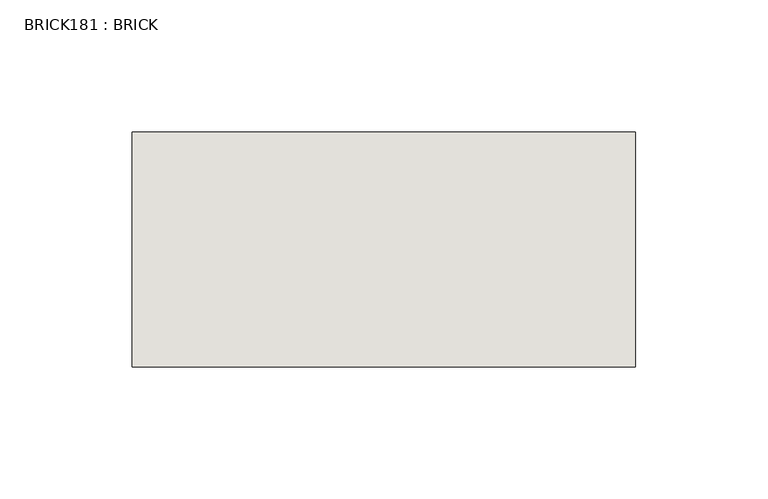
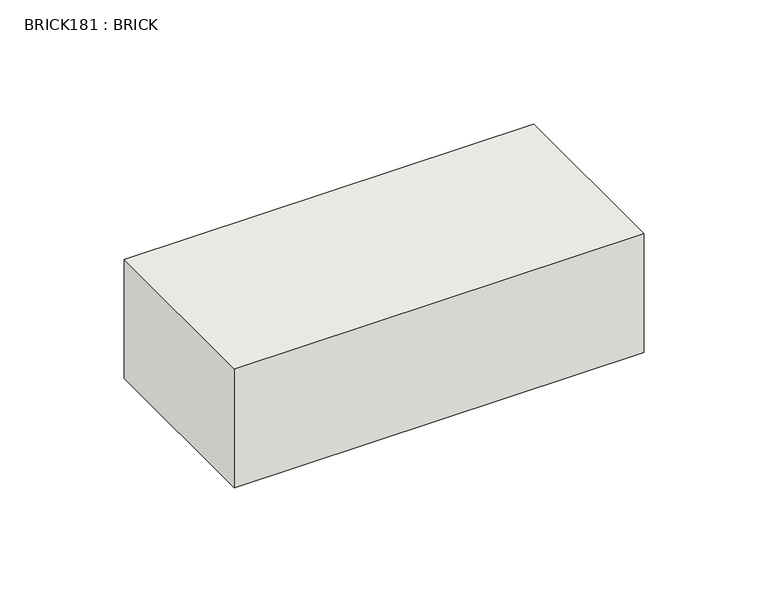
"""IFC4 building model written with IfcOpenShell, lengths in millimetres: wall geometry, BRICK181 : BRICK."""

from ifc_helpers import new_model, si_unit, frame, origin, place, context, project, spatial, polyline, outline, extrude, source, transform, mapped, element, save


def brick181_brick_9975e02f(model_context):
    return source(origin(), model_context, "Body", "SweptSolid", [
        extrude(outline(polyline([(-362.3316239, 3062.3923312), (-171.8316239, 3062.3923312), (-171.8316239, 2973.4923312), (-362.3316239, 2973.4923312), (-362.3316239, 3062.3923312)])), frame((0.0, 0.0, 214.0148438), z_axis=(0.0, 0.0, 1.0), x_axis=(1.0, 0.0, 0.0)), (0.0, 0.0, 1.0), 58.4398437),
    ])


if __name__ == "__main__":
    model = new_model("IFC4")
    model_context = context("Model", 3, world=origin())
    ifc_project = project(units=[si_unit("LENGTHUNIT", "METRE", prefix="MILLI")], contexts=[model_context])
    site = spatial("IfcSite", under=ifc_project)
    building = spatial("IfcBuilding", under=site)
    placement = place(None, origin())
    brick181_brick_shape = brick181_brick_9975e02f(model_context)
    element("IfcWall", 1, ObjectType="BRICK181 : BRICK", at=placement, inside=building, context=model_context, shape_type="MappedRepresentation", body=[
        mapped(brick181_brick_shape, transform((0.0, 0.0, 0.0), x_axis=(1.0, 0.0, 0.0), y_axis=(0.0, 1.0, 0.0), z_axis=(0.0, 0.0, 1.0))),
    ])
    save(model, "model.ifc")
